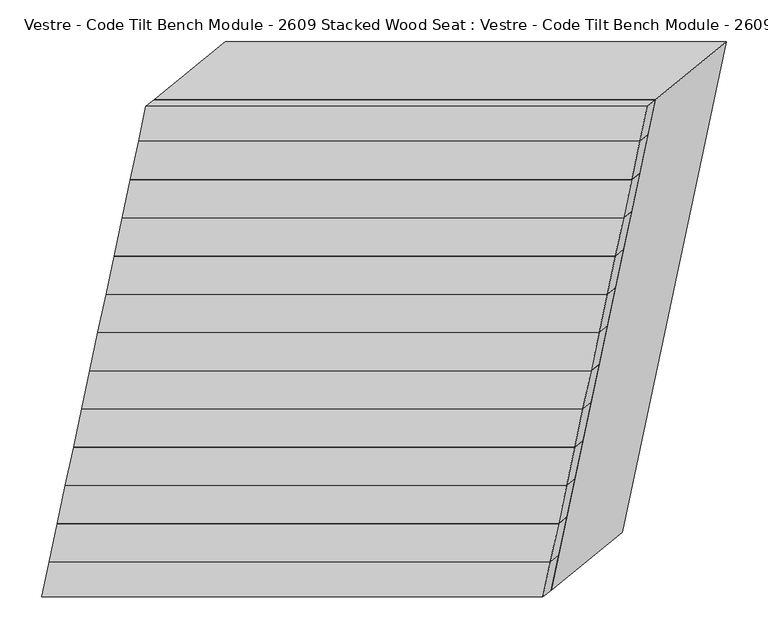
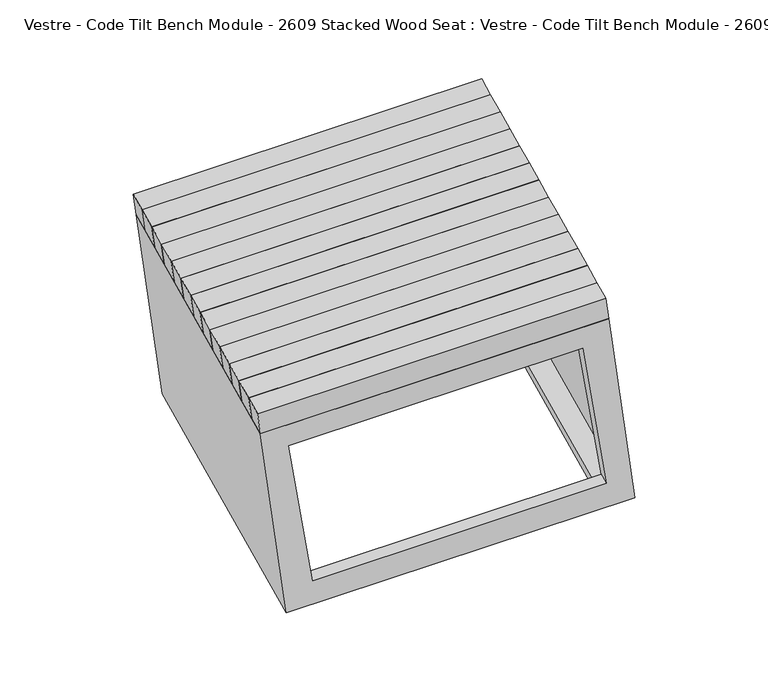
"""IFC4 building model written with IfcOpenShell, lengths in millimetres: furniture geometry, Vestre - Code Tilt Bench Module - 2609 Stacked Wood Seat : Vestre - Code Tilt Bench Module - 2609 Stacked Wood Seat."""

from ifc_helpers import new_model, si_unit, origin, place, context, project, spatial, faceted_brep, source, transform, mapped, element, save


def vestre_code_tilt_bench_module_2609_stacked_wood_seat_vestre_ed9ed0a0(model_context):
    return source(origin(), model_context, "Body", "Brep", [
        faceted_brep([(-341.1105248, 104.6578383, 862.9456861), (-350.8347915, 58.9087607, 862.9456861), (249.1652085, 58.9087607, 862.9456861), (258.8894752, 104.6578383, 862.9456861), (-331.4646537, 112.5534159, 817.7590999), (268.5353463, 112.5534159, 817.7590999), (258.8110797, 66.8043382, 817.7590999), (-341.1889203, 66.8043382, 817.7590999)], [[[0, 1, 2, 3]], [[4, 5, 6, 7]], [[5, 4, 0, 3]], [[6, 5, 3, 2]], [[7, 6, 2, 1]], [[4, 7, 1, 0]]]),
        faceted_brep([(-350.8347915, 58.9087607, 862.9456861), (-360.5590581, 13.159683, 862.9456861), (239.4409419, 13.159683, 862.9456861), (249.1652085, 58.9087607, 862.9456861), (-341.1889203, 66.8043382, 817.7590999), (258.8110797, 66.8043382, 817.7590999), (249.086813, 21.0552605, 817.7590999), (-350.913187, 21.0552605, 817.7590999)], [[[0, 1, 2, 3]], [[4, 5, 6, 7]], [[5, 4, 0, 3]], [[6, 5, 3, 2]], [[7, 6, 2, 1]], [[4, 7, 1, 0]]]),
        faceted_brep([(-360.5590581, 13.159683, 862.9456861), (-370.2833247, -32.5893947, 862.9456861), (229.7166753, -32.5893947, 862.9456861), (239.4409419, 13.159683, 862.9456861), (-350.913187, 21.0552605, 817.7590999), (249.086813, 21.0552605, 817.7590999), (239.3625464, -24.6938171, 817.7590999), (-360.6374536, -24.6938171, 817.7590999)], [[[0, 1, 2, 3]], [[4, 5, 6, 7]], [[5, 4, 0, 3]], [[6, 5, 3, 2]], [[7, 6, 2, 1]], [[4, 7, 1, 0]]]),
        faceted_brep([(-370.2833247, -32.5893947, 862.9456861), (-380.0075914, -78.3384723, 862.9456861), (219.9924086, -78.3384723, 862.9456861), (229.7166753, -32.5893947, 862.9456861), (-360.6374536, -24.6938171, 817.7590999), (239.3625464, -24.6938171, 817.7590999), (229.6382797, -70.4428948, 817.7590999), (-370.3617203, -70.4428948, 817.7590999)], [[[0, 1, 2, 3]], [[4, 5, 6, 7]], [[5, 4, 0, 3]], [[6, 5, 3, 2]], [[7, 6, 2, 1]], [[4, 7, 1, 0]]]),
        faceted_brep([(-380.0075914, -78.3384723, 862.9456861), (-389.731858, -124.08755, 862.9456861), (210.268142, -124.08755, 862.9456861), (219.9924086, -78.3384723, 862.9456861), (-370.3617203, -70.4428948, 817.7590999), (229.6382797, -70.4428948, 817.7590999), (219.9140131, -116.1919724, 817.7590999), (-380.0859869, -116.1919724, 817.7590999)], [[[0, 1, 2, 3]], [[4, 5, 6, 7]], [[5, 4, 0, 3]], [[6, 5, 3, 2]], [[7, 6, 2, 1]], [[4, 7, 1, 0]]]),
        faceted_brep([(-389.731858, -124.08755, 862.9456861), (-399.4561247, -169.8366276, 862.9456861), (200.5438753, -169.8366276, 862.9456861), (210.268142, -124.08755, 862.9456861), (-380.0859869, -116.1919724, 817.7590999), (219.9140131, -116.1919724, 817.7590999), (210.1897464, -161.9410501, 817.7590999), (-389.8102536, -161.9410501, 817.7590999)], [[[0, 1, 2, 3]], [[4, 5, 6, 7]], [[5, 4, 0, 3]], [[6, 5, 3, 2]], [[7, 6, 2, 1]], [[4, 7, 1, 0]]]),
        faceted_brep([(-399.4561247, -169.8366276, 862.9456861), (-409.1803913, -215.5857053, 862.9456861), (190.8196087, -215.5857053, 862.9456861), (200.5438753, -169.8366276, 862.9456861), (-389.8102536, -161.9410501, 817.7590999), (210.1897464, -161.9410501, 817.7590999), (200.4654798, -207.6901278, 817.7590999), (-399.5345202, -207.6901278, 817.7590999)], [[[0, 1, 2, 3]], [[4, 5, 6, 7]], [[5, 4, 0, 3]], [[6, 5, 3, 2]], [[7, 6, 2, 1]], [[4, 7, 1, 0]]]),
        faceted_brep([(-409.1803913, -215.5857053, 862.9456861), (-418.904658, -261.334783, 862.9456861), (181.095342, -261.334783, 862.9456861), (190.8196087, -215.5857053, 862.9456861), (-399.5345202, -207.6901278, 817.7590999), (200.4654798, -207.6901278, 817.7590999), (190.7412131, -253.4392054, 817.7590999), (-409.2587869, -253.4392054, 817.7590999)], [[[0, 1, 2, 3]], [[4, 5, 6, 7]], [[5, 4, 0, 3]], [[6, 5, 3, 2]], [[7, 6, 2, 1]], [[4, 7, 1, 0]]]),
        faceted_brep([(-418.904658, -261.334783, 862.9456861), (-428.6289246, -307.0838606, 862.9456861), (171.3710754, -307.0838606, 862.9456861), (181.095342, -261.334783, 862.9456861), (-409.2587869, -253.4392054, 817.7590999), (190.7412131, -253.4392054, 817.7590999), (181.0169465, -299.1882831, 817.7590999), (-418.9830535, -299.1882831, 817.7590999)], [[[0, 1, 2, 3]], [[4, 5, 6, 7]], [[5, 4, 0, 3]], [[6, 5, 3, 2]], [[7, 6, 2, 1]], [[4, 7, 1, 0]]]),
        faceted_brep([(-428.6289246, -307.0838606, 862.9456861), (-438.3531913, -352.8329383, 862.9456861), (161.6468087, -352.8329383, 862.9456861), (171.3710754, -307.0838606, 862.9456861), (-418.9830535, -299.1882831, 817.7590999), (181.0169465, -299.1882831, 817.7590999), (171.2926799, -344.9373608, 817.7590999), (-428.7073201, -344.9373608, 817.7590999)], [[[0, 1, 2, 3]], [[4, 5, 6, 7]], [[5, 4, 0, 3]], [[6, 5, 3, 2]], [[7, 6, 2, 1]], [[4, 7, 1, 0]]]),
        faceted_brep([(-438.3531913, -352.8329383, 862.9456861), (-448.0774579, -398.5820159, 862.9456861), (151.9225421, -398.5820159, 862.9456861), (161.6468087, -352.8329383, 862.9456861), (-428.7073201, -344.9373608, 817.7590999), (171.2926799, -344.9373608, 817.7590999), (161.5684132, -390.6864384, 817.7590999), (-438.4315868, -390.6864384, 817.7590999)], [[[0, 1, 2, 3]], [[4, 5, 6, 7]], [[5, 4, 0, 3]], [[6, 5, 3, 2]], [[7, 6, 2, 1]], [[4, 7, 1, 0]]]),
        faceted_brep([(-332.2201025, 146.4839869, 862.9456861), (-341.1105248, 104.6578383, 862.9456861), (258.8894752, 104.6578383, 862.9456861), (267.7798975, 146.4839869, 862.9456861), (-322.5749946, 154.3759734, 817.7590999), (277.4250054, 154.3759734, 817.7590999), (268.5353463, 112.5534159, 817.7590999), (-331.4646537, 112.5534159, 817.7590999)], [[[0, 1, 2, 3]], [[4, 5, 6, 7]], [[5, 4, 0, 3]], [[6, 5, 3, 2]], [[7, 6, 2, 1]], [[4, 7, 1, 0]]]),
        faceted_brep([(152.6779909, -432.512587, 817.7590999), (277.4250054, 154.3759734, 817.7590999), (-322.5749946, 154.3759734, 817.7590999), (-447.3220091, -432.512587, 817.7590999), (111.5950883, -381.7550373, 817.7590999), (-384.6614061, -381.7550373, 817.7590999), (-279.0561813, 115.0784827, 817.7590999), (217.200313, 115.0784827, 817.7590999), (237.6264928, -362.9784336, 419.8134138), (-362.3735072, -362.9784336, 419.8134138), (-237.6264928, 223.9101268, 419.8134138), (362.3735072, 223.9101268, 419.8134138), (-299.7129042, -312.2208839, 419.8134138), (196.5435902, -312.2208839, 419.8134138), (300.1061699, 175.0027468, 419.8134138), (-196.1503245, 175.0027468, 419.8134138), (-393.776434, -424.6378724, 772.6919126), (112.2821604, -424.6378724, 772.6919126), (183.8977101, -371.7150723, 469.8134138), (-322.1608844, -371.7150723, 469.8134138), (115.1443609, -378.8497987, 801.1323473), (-381.1121334, -378.8497987, 801.1323473), (-303.7973866, -315.5642157, 438.9473846), (192.4591078, -315.5642157, 438.9473846), (-275.5922534, 117.5822061, 801.1323473), (-200.1365927, 172.1214764, 438.9473846), (220.664241, 117.5822061, 801.1323473), (296.1199017, 172.1214764, 438.9473846), (127.6313712, -402.504945, 801.1323473), (-414.2091441, -402.504945, 801.1323473), (-298.365818, 142.495055, 801.1323473), (243.4746973, 142.495055, 801.1323473), (225.4868228, -342.4122939, 438.9473846), (340.8394593, 200.279193, 438.9473846), (-228.3217228, 200.279193, 438.9473846), (-343.6743593, -342.4122939, 438.9473846), (117.9896611, -397.7861927, 772.6919126), (-388.0689333, -397.7861927, 772.6919126), (-317.0209312, -347.5334936, 469.8134138), (189.0376633, -347.5334936, 469.8134138)], [[[0, 1, 2, 3], [4, 5, 6, 7]], [[8, 9, 10, 11], [12, 13, 14, 15]], [[0, 3, 9, 8], [16, 17, 18, 19]], [[3, 2, 10, 9]], [[2, 1, 11, 10]], [[1, 0, 8, 11]], [[5, 4, 20, 21]], [[13, 12, 22, 23]], [[6, 5, 21, 24]], [[12, 15, 25, 22]], [[7, 6, 24, 26]], [[15, 14, 27, 25]], [[4, 7, 26, 20]], [[14, 13, 23, 27]], [[28, 29, 30, 31], [21, 20, 26, 24]], [[32, 33, 34, 35], [23, 22, 25, 27]], [[29, 28, 32, 35], [36, 37, 38, 39]], [[30, 29, 35, 34]], [[31, 30, 34, 33]], [[28, 31, 33, 32]], [[16, 37, 36, 17]], [[38, 19, 18, 39]], [[37, 16, 19, 38]], [[17, 36, 39, 18]]]),
        faceted_brep([(-448.0774579, -398.5820159, 862.9456861), (-456.9678803, -440.4081645, 862.9456861), (143.0321197, -440.4081645, 862.9456861), (151.9225421, -398.5820159, 862.9456861), (-438.4315868, -390.6864384, 817.7590999), (161.5684132, -390.6864384, 817.7590999), (152.6779909, -432.512587, 817.7590999), (-447.3220091, -432.512587, 817.7590999)], [[[0, 1, 2, 3]], [[4, 5, 6, 7]], [[5, 4, 0, 3]], [[6, 5, 3, 2]], [[7, 6, 2, 1]], [[4, 7, 1, 0]]]),
    ])


if __name__ == "__main__":
    model = new_model("IFC4")
    model_context = context("Model", 3, world=origin())
    ifc_project = project(units=[si_unit("LENGTHUNIT", "METRE", prefix="MILLI")], contexts=[model_context])
    site = spatial("IfcSite", under=ifc_project)
    building = spatial("IfcBuilding", under=site)
    placement = place(None, origin())
    vestre_code_tilt_bench_module_2609_stacked_wood_seat_vestre_shape = vestre_code_tilt_bench_module_2609_stacked_wood_seat_vestre_ed9ed0a0(model_context)
    element("IfcFurniture", 1, ObjectType="Vestre - Code Tilt Bench Module - 2609 Stacked Wood Seat : Vestre - Code Tilt Bench Module - 2609 Stacked Wood Seat", at=placement, inside=building, context=model_context, shape_type="MappedRepresentation", body=[
        mapped(vestre_code_tilt_bench_module_2609_stacked_wood_seat_vestre_shape, transform((0.0, 0.0, 0.0), x_axis=(1.0, 0.0, 0.0), y_axis=(0.0, 1.0, 0.0), z_axis=(0.0, 0.0, 1.0))),
    ])
    save(model, "model.ifc")
